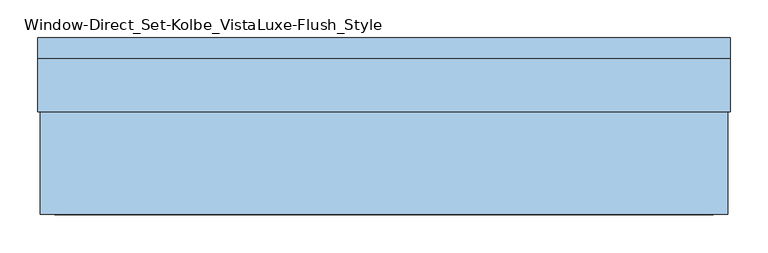
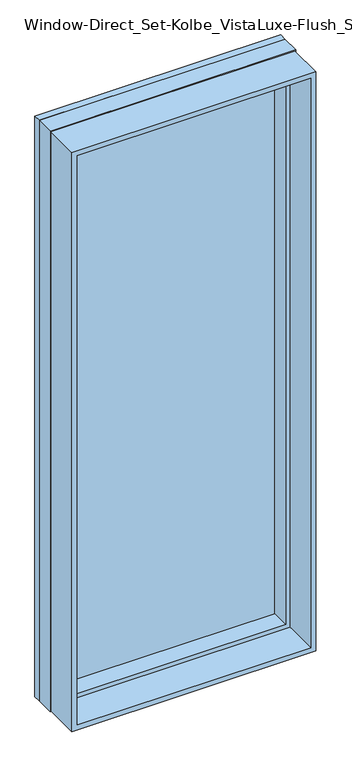
"""IFC4 building model written with IfcOpenShell, lengths in millimetres: window geometry, Window-Direct_Set-Kolbe_VistaLuxe-Flush_Style."""

from ifc_helpers import new_model, si_unit, frame, origin, place, context, project, spatial, polyline, outline, extrude, faceted_brep, source, transform, mapped, element, save


def window_direct_set_kolbe_vistaluxe_flush_style_33392691(model_context):
    return source(origin(), model_context, "Body", "SolidModel", [
        extrude(outline(polyline([(3197.225, -460.2003758), (917.575, -460.2003758), (917.575, 447.8496242), (3197.225, 447.8496242), (3197.225, -460.2003758)]), holes=[polyline([(936.625, -441.1503758), (3178.175, -441.1503758), (3178.175, 428.7996242), (936.625, 428.7996242), (936.625, -441.1503758)])]), frame((0.0, -103.1875, 0.0), z_axis=(0.0, 1.0, 0.0), x_axis=(0.0, 0.0, 1.0)), (0.0, 0.0, 1.0), 135.7122),
        extrude(outline(polyline([(936.625, -441.1503758), (936.625, 428.7996242), (3178.175, 428.7996242), (3178.175, -441.1503758), (936.625, -441.1503758)]), holes=[polyline([(954.0875, 411.3371242), (954.0875, -423.6878758), (3160.7125, -423.6878758), (3160.7125, 411.3371242), (954.0875, 411.3371242)])]), frame((0.0, 29.33065, 0.0), z_axis=(0.0, 1.0, 0.0), x_axis=(0.0, 0.0, 1.0)), (0.0, 0.0, 1.0), 69.8246),
        faceted_brep([(451.0246242, 130.1115, 3200.4), (-463.3753758, 130.1115, 3200.4), (-463.3753758, 103.1875, 3200.4), (451.0246242, 103.1875, 3200.4), (411.3373659, 121.38025, 3160.7127418), (-423.6881176, 121.38025, 3160.7127418), (-423.6881176, 130.1115, 3160.7127418), (411.3373659, 130.1115, 3160.7127418), (428.7996242, 103.1875, 3178.175), (-441.1503758, 103.1875, 3178.175), (-441.1503758, 121.38025, 3178.175), (428.7996242, 121.38025, 3178.175), (-463.3753758, 130.1115, 914.4), (-463.3753758, 103.1875, 914.4), (-423.6881176, 121.38025, 954.0872582), (-423.6881176, 130.1115, 954.0872582), (-441.1503758, 103.1875, 936.625), (-441.1503758, 121.38025, 936.625), (451.0246242, 130.1115, 914.4), (451.0246242, 103.1875, 914.4), (411.3373659, 121.38025, 954.0872582), (411.3373659, 130.1115, 954.0872582), (428.7996242, 103.1875, 936.625), (428.7996242, 121.38025, 936.625)], [[[0, 1, 2, 3]], [[4, 5, 6, 7]], [[8, 9, 10, 11]], [[1, 12, 13, 2]], [[5, 14, 15, 6]], [[9, 16, 17, 10]], [[12, 18, 19, 13]], [[14, 20, 21, 15]], [[16, 22, 23, 17]], [[18, 0, 3, 19]], [[1, 0, 18, 12], [7, 6, 15, 21]], [[20, 4, 7, 21]], [[11, 10, 17, 23], [5, 4, 20, 14]], [[22, 8, 11, 23]], [[3, 2, 13, 19], [9, 8, 22, 16]]]),
        extrude(outline(polyline([(914.4, -463.3753758), (914.4, 451.0246242), (3200.4, 451.0246242), (3200.4, -463.3753758), (914.4, -463.3753758)]), holes=[polyline([(936.625, 428.7996242), (936.625, -441.1503758), (3178.175, -441.1503758), (3178.175, 428.7996242), (936.625, 428.7996242)])]), frame((0.0, 32.5247, 0.0), z_axis=(0.0, 1.0, 0.0), x_axis=(0.0, 0.0, 1.0)), (0.0, 0.0, 1.0), 70.6628),
        extrude(outline(polyline([(426.4183742, 102.33025), (426.4183742, 99.15525), (-438.7691258, 99.15525), (-438.7691258, 102.33025), (426.4183742, 102.33025)])), frame((0.0, 0.0, 946.15), z_axis=(0.0, 0.0, 1.0), x_axis=(1.0, 0.0, 0.0)), (0.0, 0.0, 1.0), 2222.5),
        extrude(outline(polyline([(426.4183742, 118.20525), (-438.7691258, 118.20525), (-438.7691258, 121.38025), (426.4183742, 121.38025), (426.4183742, 118.20525)])), frame((0.0, 0.0, 946.15), z_axis=(0.0, 0.0, 1.0), x_axis=(1.0, 0.0, 0.0)), (0.0, 0.0, 1.0), 2222.5),
    ])


if __name__ == "__main__":
    model = new_model("IFC4")
    model_context = context("Model", 3, world=origin())
    ifc_project = project(units=[si_unit("LENGTHUNIT", "METRE", prefix="MILLI")], contexts=[model_context])
    site = spatial("IfcSite", under=ifc_project)
    building = spatial("IfcBuilding", under=site)
    placement = place(None, origin())
    window_direct_set_kolbe_vistaluxe_flush_style_shape = window_direct_set_kolbe_vistaluxe_flush_style_33392691(model_context)
    element("IfcWindow", 1, ObjectType="Window-Direct_Set-Kolbe_VistaLuxe-Flush_Style", at=placement, inside=building, context=model_context, shape_type="MappedRepresentation", body=[
        mapped(window_direct_set_kolbe_vistaluxe_flush_style_shape, transform((0.0, 0.0, 0.0), x_axis=(1.0, 0.0, 0.0), y_axis=(0.0, 1.0, 0.0), z_axis=(0.0, 0.0, 1.0))),
    ])
    save(model, "model.ifc")
